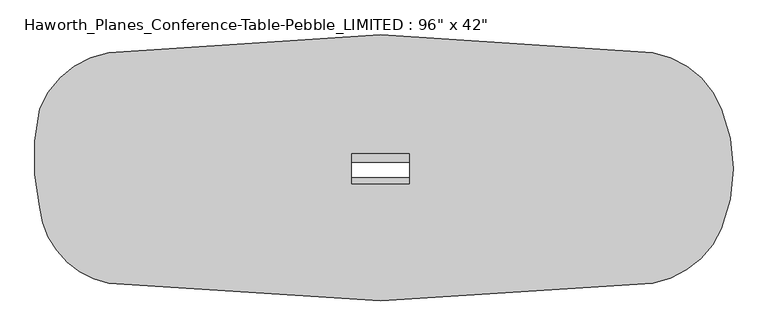
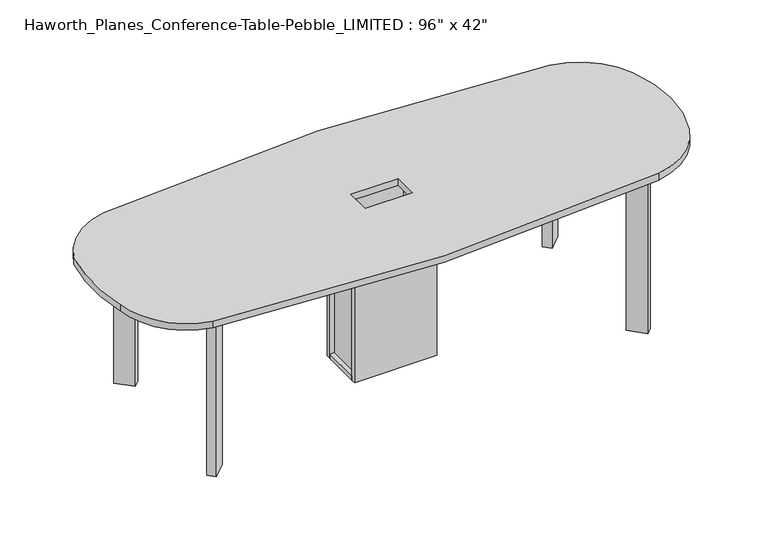
"""IFC4 building model written with IfcOpenShell, lengths in millimetres: furniture geometry."""

from ifc_helpers import new_model, si_unit, point, frame, frame_2d, origin, origin_with_axes, place, context, project, spatial, polyline, circle_curve, trimmed, segment, composite_curve, outline, extrude, faceted_brep, source, transform, mapped, element, save


def furniture_4f52a4ae(model_context):
    return source(origin(), model_context, "Body", "SolidModel", [
        faceted_brep([(-139.7, 78.5200592, 692.15), (-158.75, 78.5200592, 692.15), (-158.75, -86.5799408, 692.15), (-139.7, -86.5799408, 692.15), (139.7, 78.5200592, 692.15), (139.7, -86.5799408, 692.15), (158.75, -86.5799408, 692.15), (158.75, 78.5200592, 692.15), (-177.8, -86.5799408, 0.0), (-177.8, 78.5200592, 0.0), (177.8, 78.5200592, 0.0), (177.8, -86.5799408, 0.0), (101.6, 21.3700592, 0.0), (-101.6, 21.3700592, 0.0), (-101.6, -29.4299408, 0.0), (101.6, -29.4299408, 0.0), (177.8, 78.5200592, 19.05), (-177.8, 78.5200592, 19.05), (-158.75, 78.5200592, 19.05), (-139.7, 78.5200592, 19.05), (139.7, 78.5200592, 19.05), (158.75, 78.5200592, 19.05), (-158.75, -86.5799408, 19.05), (177.8, -86.5799408, 19.05), (158.75, -86.5799408, 19.05), (139.7, -86.5799408, 19.05), (-139.7, -86.5799408, 19.05), (-177.8, -86.5799408, 19.05), (101.6, 21.3700592, 19.05), (101.6, -29.4299408, 19.05), (-101.6, -29.4299408, 19.05), (-101.6, 21.3700592, 19.05)], [[[0, 1, 2, 3]], [[4, 5, 6, 7]], [[8, 9, 10, 11], [12, 13, 14, 15]], [[16, 10, 9, 17, 18, 1, 0, 19, 20, 4, 7, 21]], [[2, 1, 18, 22]], [[8, 11, 23, 24, 6, 5, 25, 26, 3, 2, 22, 27]], [[0, 3, 26, 19]], [[5, 4, 20, 25]], [[7, 6, 24, 21]], [[20, 19, 26, 25], [28, 29, 30, 31]], [[17, 27, 22, 18]], [[23, 16, 21, 24]], [[27, 17, 9, 8]], [[16, 23, 11, 10]], [[29, 28, 12, 15]], [[30, 29, 15, 14]], [[31, 30, 14, 13]], [[28, 31, 13, 12]]]),
        extrude(outline(polyline([(177.8, 97.5700592), (177.8, 78.5200592), (-177.8, 78.5200592), (-177.8, 97.5700592), (177.8, 97.5700592)])), origin_with_axes(), (0.0, 0.0, 1.0), 711.2),
        extrude(outline(polyline([(177.8, -86.5799408), (177.8, -105.6299408), (-177.8, -105.6299408), (-177.8, -86.5799408), (177.8, -86.5799408)])), origin_with_axes(), (0.0, 0.0, 1.0), 711.2),
        extrude(outline(polyline([(930.1154482, -376.8861574), (871.7437834, -318.5144926), (898.6845518, -291.5737242), (957.0562166, -349.945389), (930.1154482, -376.8861574)])), origin_with_axes(), (0.0, 0.0, 1.0), 706.4375),
        extrude(outline(polyline([(930.1154482, 368.8262758), (957.0562166, 341.8855074), (898.6845518, 283.5138426), (871.7437834, 310.454611), (930.1154482, 368.8262758)])), origin_with_axes(), (0.0, 0.0, 1.0), 706.4375),
        extrude(outline(polyline([(-930.1154482, -376.8861574), (-957.0562166, -349.945389), (-898.6845518, -291.5737242), (-871.7437834, -318.5144926), (-930.1154482, -376.8861574)])), origin_with_axes(), (0.0, 0.0, 1.0), 706.4375),
        extrude(outline(polyline([(-898.6845518, 283.5138426), (-957.0562166, 341.8855074), (-930.1154482, 368.8262758), (-871.7437834, 310.454611), (-898.6845518, 283.5138426)])), origin_with_axes(), (0.0, 0.0, 1.0), 706.4375),
        extrude(outline(composite_curve([segment(trimmed(circle_curve(frame_2d((-903.5386061, 90.476123)), 325.0385068), [point((-1204.9170991, 212.2177957))], [point((-961.9030474, 410.2316905))], False, "CARTESIAN"), True, "CONTINUOUS"), segment(trimmed(circle_curve(frame_2d((0.0, -6940.3059095)), 7413.2085146), [point((-961.9030474, 410.2316905))], [point((961.9030474, 410.2316905))], False, "CARTESIAN"), True, "CONTINUOUS"), segment(trimmed(circle_curve(frame_2d((903.5386061, 90.476123)), 325.0385068), [point((961.9030474, 410.2316905))], [point((1204.9170991, 212.2177957))], False, "CARTESIAN"), True, "CONTINUOUS"), segment(trimmed(circle_curve(frame_2d((679.5597745, 0.0)), 566.6010161), [point((1204.9170991, 212.2177957))], [point((1204.9170991, -212.2177957))], False, "CARTESIAN"), True, "CONTINUOUS"), segment(trimmed(circle_curve(frame_2d((903.5386061, -81.4223363)), 328.5368293), [point((1204.9170991, -212.2177957))], [point((961.9030473, -404.7333943))], False, "CARTESIAN"), True, "CONTINUOUS"), segment(trimmed(circle_curve(frame_2d((0.0, 6940.3059095)), 7407.7567351), [point((961.9030473, -404.7333943))], [point((-961.9030474, -404.7333943))], False, "CARTESIAN"), True, "CONTINUOUS"), segment(trimmed(circle_curve(frame_2d((-903.5386061, -107.7080973)), 302.705195), [point((-961.9030474, -404.7333943))], [point((-1204.9170991, -136.0177957))], False, "CARTESIAN"), True, "CONTINUOUS"), segment(trimmed(circle_curve(frame_2d((-446.0095781, 38.1)), 778.6254763), [point((-1204.9170991, -136.0177957))], [point((-1204.9170991, 212.2177957))], False, "CARTESIAN"), True, "CONTINUOUS")], self_intersect=False), holes=[polyline([(-101.6, -53.1876), (101.6, -53.1876), (101.6, 53.1876), (-101.6, 53.1876), (-101.6, -53.1876)])]), frame((0.0, 0.0, 706.4375), z_axis=(0.0, 0.0, 1.0), x_axis=(1.0, 0.0, 0.0)), (0.0, 0.0, 1.0), 30.1625),
    ])


if __name__ == "__main__":
    model = new_model("IFC4")
    model_context = context("Model", 3, world=origin())
    ifc_project = project(units=[si_unit("LENGTHUNIT", "METRE", prefix="MILLI")], contexts=[model_context])
    site = spatial("IfcSite", under=ifc_project)
    building = spatial("IfcBuilding", under=site)
    placement = place(None, origin())
    furniture_shape = furniture_4f52a4ae(model_context)
    element("IfcFurniture", 1, ObjectType="Haworth_Planes_Conference-Table-Pebble_LIMITED : 96\" x 42\"", at=placement, inside=building, context=model_context, shape_type="MappedRepresentation", body=[
        mapped(furniture_shape, transform((0.0, 0.0, 0.0), x_axis=(1.0, 0.0, 0.0), y_axis=(0.0, 1.0, 0.0), z_axis=(0.0, 0.0, 1.0))),
    ])
    save(model, "model.ifc")
